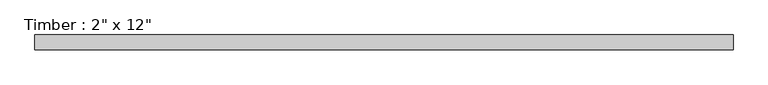
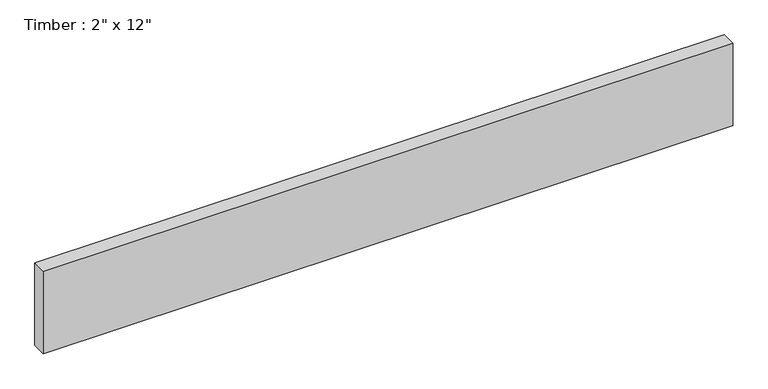
"""IFC4 building model written with IfcOpenShell, lengths in millimetres: beam geometry."""

from ifc_helpers import new_model, si_unit, frame, origin, place, context, project, spatial, polyline, outline, extrude, source, transform, mapped, element, save


def beam_188de6c2(model_context):
    return source(origin(), model_context, "Body", "SweptSolid", [
        extrude(outline(polyline([(1199.6049782, 25.4), (1199.6049782, -25.4), (-1209.6714178, -25.4), (-1209.6714178, 25.4), (1199.6049782, 25.4)])), frame((0.0, 0.0, -152.4), z_axis=(0.0, 0.0, 1.0), x_axis=(1.0, 0.0, 0.0)), (0.0, 0.0, 1.0), 304.8),
    ])


if __name__ == "__main__":
    model = new_model("IFC4")
    model_context = context("Model", 3, world=origin())
    ifc_project = project(units=[si_unit("LENGTHUNIT", "METRE", prefix="MILLI")], contexts=[model_context])
    site = spatial("IfcSite", under=ifc_project)
    building = spatial("IfcBuilding", under=site)
    placement = place(None, origin())
    beam_shape = beam_188de6c2(model_context)
    element("IfcBeam", 1, ObjectType="Timber : 2\" x 12\"", at=placement, inside=building, context=model_context, shape_type="MappedRepresentation", body=[
        mapped(beam_shape, transform((0.0, 0.0, 0.0), x_axis=(1.0, 0.0, 0.0), y_axis=(0.0, 1.0, 0.0), z_axis=(0.0, 0.0, 1.0))),
    ])
    save(model, "model.ifc")
